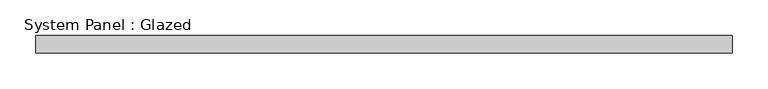
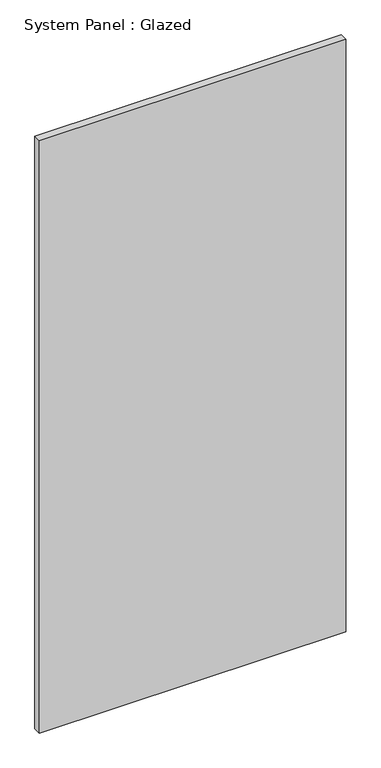
"""IFC4 building model written with IfcOpenShell, lengths in millimetres: plate geometry, System Panel : Glazed."""

import ifcopenshell
import ifcopenshell.guid

model = None  # the IFC model being written
_history = None  # IfcOwnerHistory: only IFC2X3 demands one
_inside = {}  # id of a spatial element -> (the spatial element, [elements in it])
_under = {}  # id of a project, library or spatial element -> (it, [spatial elements below it])
_declared = {}  # id of a project -> (the project, [libraries it declares])
_typed = {}  # id of a type object -> (the type object, [elements of that type])
_made_of = {}  # id of a material, layer set ... -> (it, [elements and type objects made of it])


def new_model(schema):
    """Start an empty IFC model of exactly this schema.

    Asked for "IFC4X3", IfcOpenShell would pick the latest addendum, in which some entities
    have other attributes; the version numbers below select the first issue.
    IFC2X3 requires an IfcOwnerHistory on every rooted entity: one is made here for all.
    """
    global model, _history
    if schema == "IFC4X3":
        model = ifcopenshell.file(schema_version=(4, 3, 0, 0))
    else:
        model = ifcopenshell.file(schema=schema)
    _inside.clear()
    _under.clear()
    _declared.clear()
    _typed.clear()
    _made_of.clear()
    _history = None
    if model.schema == "IFC2X3":
        org = make("IfcOrganization", Name="unknown")
        user = make(
            "IfcPersonAndOrganization",
            ThePerson=make("IfcPerson", FamilyName="unknown"),
            TheOrganization=org,
        )
        app = make(
            "IfcApplication",
            ApplicationDeveloper=org,
            Version="unknown",
            ApplicationFullName="unknown",
            ApplicationIdentifier="unknown",
        )
        _history = make(
            "IfcOwnerHistory",
            OwningUser=user,
            OwningApplication=app,
            ChangeAction="ADDED",
            CreationDate=0,
        )
    return model


def make(cls, **values):
    """One entity of the class cls with the attributes given. An attribute that is None is left unset."""
    return model.create_entity(
        cls, **{name: value for name, value in values.items() if value is not None}
    )


def rooted(cls, **values):
    """An entity with a GlobalId (a new one), such as an element, a storey or a relation."""
    return make(cls, GlobalId=ifcopenshell.guid.new(), OwnerHistory=_history, **values)


def si_unit(unit_type, name, prefix=None):
    """IfcSIUnit, for example si_unit("LENGTHUNIT", "METRE", prefix="MILLI")."""
    return make("IfcSIUnit", UnitType=unit_type, Prefix=prefix, Name=name)


def assignment(units):
    """IfcUnitAssignment: the units of a project."""
    return None if units is None else make("IfcUnitAssignment", Units=units)


def point(xyz):
    """IfcCartesianPoint."""
    return None if xyz is None else make("IfcCartesianPoint", Coordinates=xyz)


def direction(xyz):
    """IfcDirection."""
    return None if xyz is None else make("IfcDirection", DirectionRatios=xyz)


def frame(location, z_axis=None, x_axis=None):
    """IfcAxis2Placement3D, a coordinate frame: its origin and axes. An axis left out is left unset."""
    return make(
        "IfcAxis2Placement3D",
        Location=point(location),
        Axis=direction(z_axis),
        RefDirection=direction(x_axis),
    )


def origin():
    """The frame at (0, 0, 0) with its axes left unset."""
    return frame((0.0, 0.0, 0.0))


def origin_with_axes():
    """The frame at (0, 0, 0) with the z axis (0, 0, 1) and the x axis (1, 0, 0) written out."""
    return frame((0.0, 0.0, 0.0), z_axis=(0.0, 0.0, 1.0), x_axis=(1.0, 0.0, 0.0))


def place(relative_to, where):
    """IfcLocalPlacement: puts the frame where relative to a parent placement (None: the world)."""
    return make(
        "IfcLocalPlacement", PlacementRelTo=relative_to, RelativePlacement=where
    )


def context(
    kind, dimensions, precision=None, world=None, true_north=None, identifier=None
):
    """IfcGeometricRepresentationContext, for example the 3D "Model" context."""
    return make(
        "IfcGeometricRepresentationContext",
        ContextIdentifier=identifier,
        ContextType=kind,
        CoordinateSpaceDimension=dimensions,
        Precision=precision,
        WorldCoordinateSystem=world,
        TrueNorth=true_north,
    )


def project(units=None, contexts=None):
    """IfcProject with its units and contexts."""
    return rooted(
        "IfcProject",
        Name="project",
        RepresentationContexts=contexts,
        UnitsInContext=assignment(units),
    )


def spatial(cls, under=None, at=None, **own):
    """A site, building, storey or space (cls), placed at a placement, below another one or the project."""
    s = rooted(cls, ObjectPlacement=at, **own)
    if under is not None:
        _under.setdefault(under.id(), (under, []))[1].append(s)
    return s


def polyline(points):
    """IfcPolyline through the points."""
    return make("IfcPolyline", Points=[point(p) for p in points])


def outline(outer, holes=None, kind="AREA"):
    """IfcArbitraryClosedProfileDef: a profile drawn as a closed curve; with holes, ...WithVoids."""
    if holes is None:
        return make("IfcArbitraryClosedProfileDef", ProfileType=kind, OuterCurve=outer)
    return make(
        "IfcArbitraryProfileDefWithVoids",
        ProfileType=kind,
        OuterCurve=outer,
        InnerCurves=holes,
    )


def extrude(swept, where, along, depth):
    """IfcExtrudedAreaSolid: the profile swept, set in the frame where, extruded along a direction by depth."""
    return make(
        "IfcExtrudedAreaSolid",
        SweptArea=swept,
        Position=where,
        ExtrudedDirection=direction(along),
        Depth=depth,
    )


def shape(context_of_items, identifier, shape_type, items):
    """IfcShapeRepresentation: the items that make up one representation, for example the "Body"."""
    return make(
        "IfcShapeRepresentation",
        ContextOfItems=context_of_items,
        RepresentationIdentifier=identifier,
        RepresentationType=shape_type,
        Items=items,
    )


def source(mapping_origin, context_of_items, identifier, shape_type, items):
    """IfcRepresentationMap: a shape defined once, which mapped items show again and again."""
    return make(
        "IfcRepresentationMap",
        MappingOrigin=mapping_origin,
        MappedRepresentation=shape(context_of_items, identifier, shape_type, items),
    )


def transform(
    local_origin,
    x_axis=None,
    y_axis=None,
    z_axis=None,
    scale=None,
    scale2=None,
    scale3=None,
    uniform=True,
):
    """IfcCartesianTransformationOperator3D, or its non-uniform kind. x_axis, y_axis, z_axis: its Axis1, 2, 3."""
    if uniform:
        return make(
            "IfcCartesianTransformationOperator3D",
            Axis1=direction(x_axis),
            Axis2=direction(y_axis),
            LocalOrigin=point(local_origin),
            Scale=scale,
            Axis3=direction(z_axis),
        )
    return make(
        "IfcCartesianTransformationOperator3DnonUniform",
        Axis1=direction(x_axis),
        Axis2=direction(y_axis),
        LocalOrigin=point(local_origin),
        Scale=scale,
        Axis3=direction(z_axis),
        Scale2=scale2,
        Scale3=scale3,
    )


def mapped(mapping_source, mapping_target):
    """IfcMappedItem: shows the shape of a source again, moved by a transform."""
    return make(
        "IfcMappedItem", MappingSource=mapping_source, MappingTarget=mapping_target
    )


def made_of(thing, what):
    """Note that an element or type object is made of a material, layer set ...; save() writes the relation."""
    if what is not None:
        _made_of.setdefault(what.id(), (what, []))[1].append(thing)
    return thing


def element(
    cls,
    number,
    at=None,
    inside=None,
    cuts=None,
    type_object=None,
    material=None,
    context=None,
    identifier="Body",
    shape_type=None,
    held_by="IfcProductDefinitionShape",
    body=None,
    shapes=None,
    **own,
):
    """One element of the class cls, such as IfcWall. Its Tag is "e" and its number.

    at: its placement. inside: the storey or other place that contains it. cuts: it is an
    opening in that element (IfcRelVoidsElement). A single representation is given by context,
    identifier, shape_type and body (its items); several are given by shapes. held_by: the class
    of the entity that holds the representations. save() writes the other relations.
    """
    e = rooted(cls, Tag="e%d" % number, ObjectPlacement=at, **own)
    if body is not None:
        shapes = [shape(context, identifier, shape_type, body)]
    if shapes is not None:
        e.Representation = make(held_by, Representations=shapes)
    if inside is not None:
        _inside.setdefault(inside.id(), (inside, []))[1].append(e)
    if cuts is not None:
        rooted(
            "IfcRelVoidsElement", RelatingBuildingElement=cuts, RelatedOpeningElement=e
        )
    if type_object is not None:
        _typed.setdefault(type_object.id(), (type_object, []))[1].append(e)
    return made_of(e, material)


def aggregate(whole, parts):
    """IfcRelAggregates: a whole, such as a stair, and the parts it consists of."""
    return rooted("IfcRelAggregates", RelatingObject=whole, RelatedObjects=parts)


def save(model, path):
    """Write the relations noted so far, then the file.

    IfcRelAggregates (storeys below a building ...), IfcRelContainedInSpatialStructure (elements
    in a storey), IfcRelDefinesByType, IfcRelAssociatesMaterial and IfcRelDeclares: one each for
    every whole, place, type object, material and project.
    """
    for whole, parts in _under.values():
        aggregate(whole, parts)
    for where, things in _inside.values():
        rooted(
            "IfcRelContainedInSpatialStructure",
            RelatedElements=things,
            RelatingStructure=where,
        )
    for kind, things in _typed.values():
        rooted("IfcRelDefinesByType", RelatedObjects=things, RelatingType=kind)
    for what, things in _made_of.values():
        rooted("IfcRelAssociatesMaterial", RelatedObjects=things, RelatingMaterial=what)
    for by, libraries in _declared.values():
        rooted("IfcRelDeclares", RelatingContext=by, RelatedDefinitions=libraries)
    model.write(path)


def system_panel_glazed_c200a203(model_context):
    return source(origin(), model_context, "Body", "SweptSolid", [
        extrude(outline(polyline([(489.4190074, 24.5), (-489.4190074, 24.5), (-489.4190074, 49.5), (489.4190074, 49.5), (489.4190074, 24.5)])), origin_with_axes(), (0.0, 0.0, 1.0), 2000.0),
    ])


if __name__ == "__main__":
    model = new_model("IFC4")
    model_context = context("Model", 3, world=origin())
    ifc_project = project(units=[si_unit("LENGTHUNIT", "METRE", prefix="MILLI")], contexts=[model_context])
    site = spatial("IfcSite", under=ifc_project)
    building = spatial("IfcBuilding", under=site)
    placement = place(None, origin())
    system_panel_glazed_shape = system_panel_glazed_c200a203(model_context)
    element("IfcPlate", 1, ObjectType="System Panel : Glazed", at=placement, inside=building, context=model_context, shape_type="MappedRepresentation", body=[
        mapped(system_panel_glazed_shape, transform((0.0, 0.0, 0.0), x_axis=(1.0, 0.0, 0.0), y_axis=(0.0, 1.0, 0.0), z_axis=(0.0, 0.0, 1.0))),
    ])
    save(model, "model.ifc")
